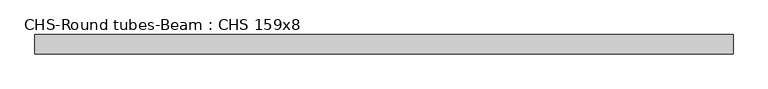
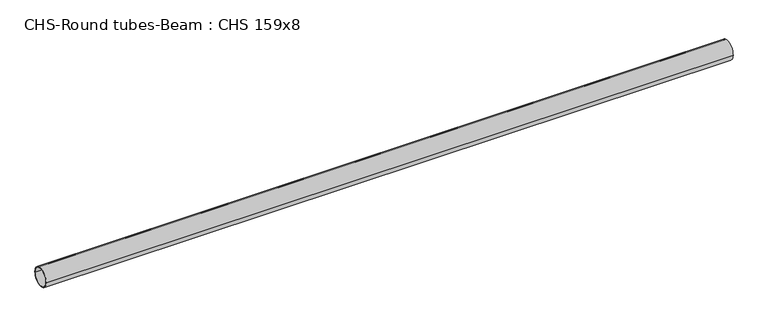
"""IFC4 building model written with IfcOpenShell, lengths in millimetres: beam geometry, CHS-Round tubes-Beam : CHS 159x8."""

from ifc_helpers import new_model, si_unit, point, frame, origin, origin_2d, place, context, project, spatial, circle_curve, trimmed, segment, composite_curve, outline, extrude, source, transform, mapped, element, save


def chs_round_tubes_beam_chs_159x8_aaa48086(model_context):
    return source(origin(), model_context, "Body", "SweptSolid", [
        extrude(outline(composite_curve([segment(trimmed(circle_curve(origin_2d(), 79.5), [point((79.5, 0.0))], [point((-79.5, 0.0))], False, "CARTESIAN"), True, "CONTINUOUS"), segment(trimmed(circle_curve(origin_2d(), 79.5), [point((-79.5, 0.0))], [point((79.5, 0.0))], False, "CARTESIAN"), True, "CONTINUOUS")], self_intersect=False), holes=[composite_curve([segment(trimmed(circle_curve(origin_2d(), 71.5), [point((71.5, 0.0))], [point((-71.5, 0.0))], True, "CARTESIAN"), True, "CONTINUOUS"), segment(trimmed(circle_curve(origin_2d(), 71.5), [point((-71.5, 0.0))], [point((71.5, 0.0))], True, "CARTESIAN"), True, "CONTINUOUS")], self_intersect=False)]), frame((-2837.8257873, 0.0, 0.0), z_axis=(1.0, 0.0, 0.0), x_axis=(0.0, 1.0, 0.0)), (0.0, 0.0, 1.0), 5671.4637049),
    ])


if __name__ == "__main__":
    model = new_model("IFC4")
    model_context = context("Model", 3, world=origin())
    ifc_project = project(units=[si_unit("LENGTHUNIT", "METRE", prefix="MILLI")], contexts=[model_context])
    site = spatial("IfcSite", under=ifc_project)
    building = spatial("IfcBuilding", under=site)
    placement = place(None, origin())
    chs_round_tubes_beam_chs_159x8_shape = chs_round_tubes_beam_chs_159x8_aaa48086(model_context)
    element("IfcBeam", 1, ObjectType="CHS-Round tubes-Beam : CHS 159x8", at=placement, inside=building, context=model_context, shape_type="MappedRepresentation", body=[
        mapped(chs_round_tubes_beam_chs_159x8_shape, transform((0.0, 0.0, 0.0), x_axis=(1.0, 0.0, 0.0), y_axis=(0.0, 1.0, 0.0), z_axis=(0.0, 0.0, 1.0))),
    ])
    save(model, "model.ifc")
